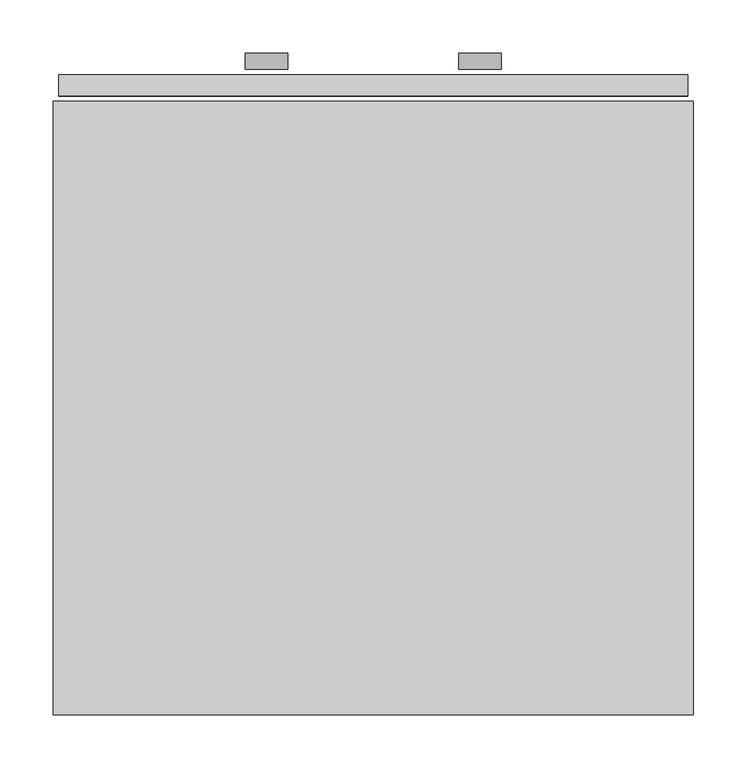
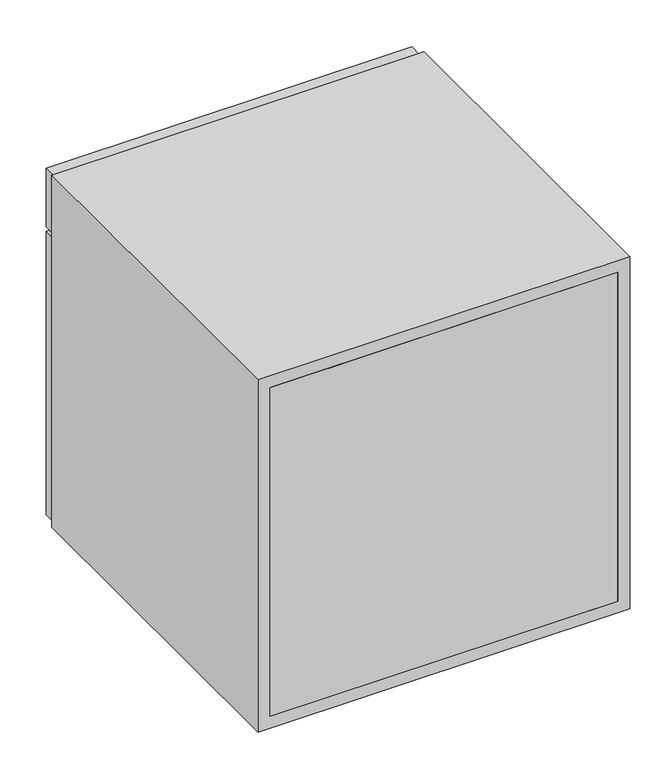
"""IFC4 building model written with IfcOpenShell, lengths in millimetres: furniture geometry."""

from ifc_helpers import new_model, si_unit, point, frame, frame_2d, origin, place, context, project, spatial, polyline, circle_curve, trimmed, segment, composite_curve, outline, extrude, faceted_brep, source, transform, mapped, element, save


def furniture_6a0c0e5f(model_context):
    return source(origin(), model_context, "Body", "SolidModel", [
        faceted_brep([(595.0, 600.0, 595.0), (595.0, 600.0, 495.0), (5.0, 600.0, 495.0), (5.0, 600.0, 595.0), (330.0, 600.0, 515.0), (330.0, 600.0, 580.0), (270.0, 600.0, 580.0), (270.0, 600.0, 515.0), (595.0, 580.0, 595.0), (5.0, 580.0, 595.0), (5.0, 580.0, 495.0), (595.0, 580.0, 495.0), (330.0, 595.0, 580.0), (330.0, 595.0, 515.0), (270.0, 595.0, 515.0), (270.0, 595.0, 580.0)], [[[0, 1, 2, 3], [4, 5, 6, 7]], [[8, 9, 10, 11]], [[1, 0, 8, 11]], [[2, 1, 11, 10]], [[3, 2, 10, 9]], [[0, 3, 9, 8]], [[12, 13, 14, 15]], [[13, 12, 5, 4]], [[14, 13, 4, 7]], [[15, 14, 7, 6]], [[12, 15, 6, 5]]]),
        faceted_brep([(5.0, 600.0, 488.0), (595.0, 600.0, 488.0), (595.0, 600.0, 5.0), (5.0, 600.0, 5.0), (495.0, 600.0, 438.0), (105.0, 600.0, 438.0), (105.0, 600.0, 105.0), (495.0, 600.0, 105.0), (5.0, 580.0, 488.0), (5.0, 580.0, 5.0), (595.0, 580.0, 5.0), (595.0, 580.0, 488.0), (495.0, 580.0, 438.0), (495.0, 580.0, 105.0), (105.0, 580.0, 105.0), (105.0, 580.0, 438.0)], [[[0, 1, 2, 3], [4, 5, 6, 7]], [[8, 9, 10, 11], [12, 13, 14, 15]], [[1, 0, 8, 11]], [[2, 1, 11, 10]], [[3, 2, 10, 9]], [[0, 3, 9, 8]], [[5, 4, 12, 15]], [[6, 5, 15, 14]], [[7, 6, 14, 13]], [[4, 7, 13, 12]]]),
        extrude(outline(composite_curve([segment(trimmed(circle_curve(frame_2d((545.0, 200.0)), 20.0), [point((545.0, 220.0))], [point((545.0, 180.0))], False, "CARTESIAN"), True, "CONTINUOUS"), segment(trimmed(circle_curve(frame_2d((545.0, 200.0)), 20.0), [point((545.0, 180.0))], [point((545.0, 220.0))], False, "CARTESIAN"), True, "CONTINUOUS")], self_intersect=False)), frame((0.0, 605.0, 0.0), z_axis=(0.0, 1.0, 0.0), x_axis=(0.0, 0.0, 1.0)), (0.0, 0.0, 1.0), 15.0),
        extrude(outline(composite_curve([segment(trimmed(circle_curve(frame_2d((545.0, 400.0)), 20.0), [point((545.0, 420.0))], [point((545.0, 380.0))], False, "CARTESIAN"), True, "CONTINUOUS"), segment(trimmed(circle_curve(frame_2d((545.0, 400.0)), 20.0), [point((545.0, 380.0))], [point((545.0, 420.0))], False, "CARTESIAN"), True, "CONTINUOUS")], self_intersect=False)), frame((0.0, 605.0, 0.0), z_axis=(0.0, 1.0, 0.0), x_axis=(0.0, 0.0, 1.0)), (0.0, 0.0, 1.0), 15.0),
        extrude(outline(polyline([(495.0, 586.6666667), (105.0, 586.6666667), (105.0, 593.3333333), (495.0, 593.3333333), (495.0, 586.6666667)])), frame((0.0, 0.0, 105.0), z_axis=(0.0, 0.0, 1.0), x_axis=(1.0, 0.0, 0.0)), (0.0, 0.0, 1.0), 333.0),
        extrude(outline(polyline([(580.0, 0.0), (20.0, 0.0), (20.0, 5.0), (580.0, 5.0), (580.0, 0.0)])), frame((0.0, 0.0, 20.0), z_axis=(0.0, 0.0, 1.0), x_axis=(1.0, 0.0, 0.0)), (0.0, 0.0, 1.0), 560.0),
        extrude(outline(polyline([(600.0, 600.0), (600.0, 0.0), (0.0, 0.0), (0.0, 600.0), (600.0, 600.0)]), holes=[polyline([(580.0, 580.0), (20.0, 580.0), (20.0, 20.0), (580.0, 20.0), (580.0, 580.0)])]), frame((0.0, 0.0, 0.0), z_axis=(0.0, 1.0, 0.0), x_axis=(0.0, 0.0, 1.0)), (0.0, 0.0, 1.0), 575.0),
    ])


if __name__ == "__main__":
    model = new_model("IFC4")
    model_context = context("Model", 3, world=origin())
    ifc_project = project(units=[si_unit("LENGTHUNIT", "METRE", prefix="MILLI")], contexts=[model_context])
    site = spatial("IfcSite", under=ifc_project)
    building = spatial("IfcBuilding", under=site)
    placement = place(None, origin())
    furniture_shape = furniture_6a0c0e5f(model_context)
    element("IfcFurniture", 1, at=placement, inside=building, context=model_context, shape_type="MappedRepresentation", body=[
        mapped(furniture_shape, transform((0.0, 0.0, 0.0), x_axis=(1.0, 0.0, 0.0), y_axis=(0.0, 1.0, 0.0), z_axis=(0.0, 0.0, 1.0))),
    ])
    save(model, "model.ifc")
